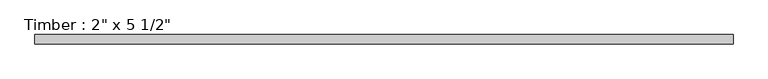
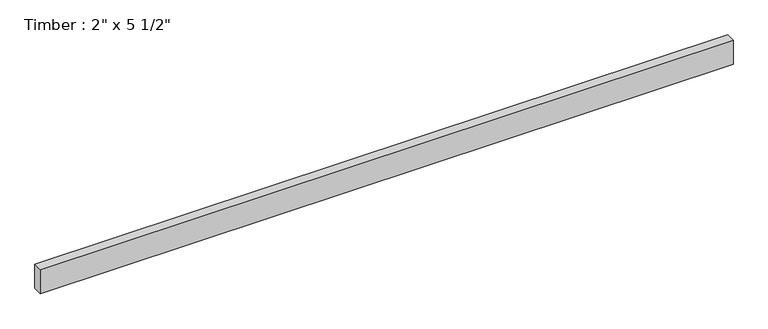
"""IFC4 building model written with IfcOpenShell, lengths in millimetres: beam geometry."""

from ifc_helpers import new_model, si_unit, frame, origin, place, context, project, spatial, polyline, outline, extrude, source, transform, mapped, element, save


def beam_6716b6e0(model_context):
    return source(origin(), model_context, "Body", "SweptSolid", [
        extrude(outline(polyline([(1906.0641214, 25.4), (1906.0641214, -25.4), (-1906.0641214, -25.4), (-1906.0641214, 25.4), (1906.0641214, 25.4)])), frame((0.0, 0.0, -69.85), z_axis=(0.0, 0.0, 1.0), x_axis=(1.0, 0.0, 0.0)), (0.0, 0.0, 1.0), 139.7),
    ])


if __name__ == "__main__":
    model = new_model("IFC4")
    model_context = context("Model", 3, world=origin())
    ifc_project = project(units=[si_unit("LENGTHUNIT", "METRE", prefix="MILLI")], contexts=[model_context])
    site = spatial("IfcSite", under=ifc_project)
    building = spatial("IfcBuilding", under=site)
    placement = place(None, origin())
    beam_shape = beam_6716b6e0(model_context)
    element("IfcBeam", 1, ObjectType="Timber : 2\" x 5 1/2\"", at=placement, inside=building, context=model_context, shape_type="MappedRepresentation", body=[
        mapped(beam_shape, transform((0.0, 0.0, 0.0), x_axis=(1.0, 0.0, 0.0), y_axis=(0.0, 1.0, 0.0), z_axis=(0.0, 0.0, 1.0))),
    ])
    save(model, "model.ifc")
